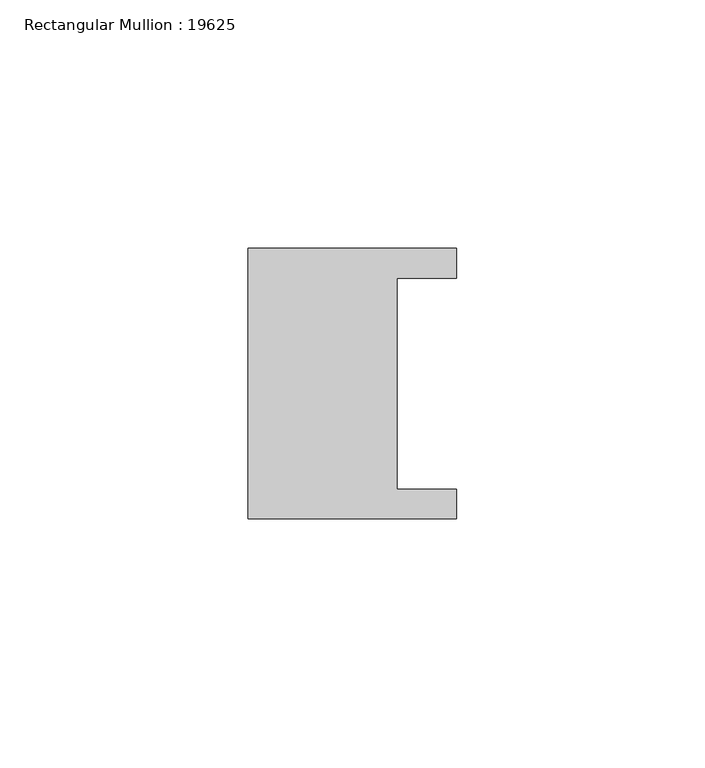
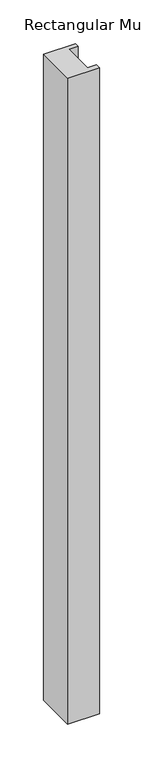
"""IFC4 building model written with IfcOpenShell, lengths in millimetres: member geometry, Rectangular Mullion : 19625."""

import ifcopenshell
import ifcopenshell.guid

model = None  # the IFC model being written
_history = None  # IfcOwnerHistory: only IFC2X3 demands one
_inside = {}  # id of a spatial element -> (the spatial element, [elements in it])
_under = {}  # id of a project, library or spatial element -> (it, [spatial elements below it])
_declared = {}  # id of a project -> (the project, [libraries it declares])
_typed = {}  # id of a type object -> (the type object, [elements of that type])
_made_of = {}  # id of a material, layer set ... -> (it, [elements and type objects made of it])


def new_model(schema):
    """Start an empty IFC model of exactly this schema.

    Asked for "IFC4X3", IfcOpenShell would pick the latest addendum, in which some entities
    have other attributes; the version numbers below select the first issue.
    IFC2X3 requires an IfcOwnerHistory on every rooted entity: one is made here for all.
    """
    global model, _history
    if schema == "IFC4X3":
        model = ifcopenshell.file(schema_version=(4, 3, 0, 0))
    else:
        model = ifcopenshell.file(schema=schema)
    _inside.clear()
    _under.clear()
    _declared.clear()
    _typed.clear()
    _made_of.clear()
    _history = None
    if model.schema == "IFC2X3":
        org = make("IfcOrganization", Name="unknown")
        user = make(
            "IfcPersonAndOrganization",
            ThePerson=make("IfcPerson", FamilyName="unknown"),
            TheOrganization=org,
        )
        app = make(
            "IfcApplication",
            ApplicationDeveloper=org,
            Version="unknown",
            ApplicationFullName="unknown",
            ApplicationIdentifier="unknown",
        )
        _history = make(
            "IfcOwnerHistory",
            OwningUser=user,
            OwningApplication=app,
            ChangeAction="ADDED",
            CreationDate=0,
        )
    return model


def make(cls, **values):
    """One entity of the class cls with the attributes given. An attribute that is None is left unset."""
    return model.create_entity(
        cls, **{name: value for name, value in values.items() if value is not None}
    )


def rooted(cls, **values):
    """An entity with a GlobalId (a new one), such as an element, a storey or a relation."""
    return make(cls, GlobalId=ifcopenshell.guid.new(), OwnerHistory=_history, **values)


def si_unit(unit_type, name, prefix=None):
    """IfcSIUnit, for example si_unit("LENGTHUNIT", "METRE", prefix="MILLI")."""
    return make("IfcSIUnit", UnitType=unit_type, Prefix=prefix, Name=name)


def assignment(units):
    """IfcUnitAssignment: the units of a project."""
    return None if units is None else make("IfcUnitAssignment", Units=units)


def point(xyz):
    """IfcCartesianPoint."""
    return None if xyz is None else make("IfcCartesianPoint", Coordinates=xyz)


def direction(xyz):
    """IfcDirection."""
    return None if xyz is None else make("IfcDirection", DirectionRatios=xyz)


def frame(location, z_axis=None, x_axis=None):
    """IfcAxis2Placement3D, a coordinate frame: its origin and axes. An axis left out is left unset."""
    return make(
        "IfcAxis2Placement3D",
        Location=point(location),
        Axis=direction(z_axis),
        RefDirection=direction(x_axis),
    )


def origin():
    """The frame at (0, 0, 0) with its axes left unset."""
    return frame((0.0, 0.0, 0.0))


def place(relative_to, where):
    """IfcLocalPlacement: puts the frame where relative to a parent placement (None: the world)."""
    return make(
        "IfcLocalPlacement", PlacementRelTo=relative_to, RelativePlacement=where
    )


def context(
    kind, dimensions, precision=None, world=None, true_north=None, identifier=None
):
    """IfcGeometricRepresentationContext, for example the 3D "Model" context."""
    return make(
        "IfcGeometricRepresentationContext",
        ContextIdentifier=identifier,
        ContextType=kind,
        CoordinateSpaceDimension=dimensions,
        Precision=precision,
        WorldCoordinateSystem=world,
        TrueNorth=true_north,
    )


def project(units=None, contexts=None):
    """IfcProject with its units and contexts."""
    return rooted(
        "IfcProject",
        Name="project",
        RepresentationContexts=contexts,
        UnitsInContext=assignment(units),
    )


def spatial(cls, under=None, at=None, **own):
    """A site, building, storey or space (cls), placed at a placement, below another one or the project."""
    s = rooted(cls, ObjectPlacement=at, **own)
    if under is not None:
        _under.setdefault(under.id(), (under, []))[1].append(s)
    return s


def polyline(points):
    """IfcPolyline through the points."""
    return make("IfcPolyline", Points=[point(p) for p in points])


def outline(outer, holes=None, kind="AREA"):
    """IfcArbitraryClosedProfileDef: a profile drawn as a closed curve; with holes, ...WithVoids."""
    if holes is None:
        return make("IfcArbitraryClosedProfileDef", ProfileType=kind, OuterCurve=outer)
    return make(
        "IfcArbitraryProfileDefWithVoids",
        ProfileType=kind,
        OuterCurve=outer,
        InnerCurves=holes,
    )


def extrude(swept, where, along, depth):
    """IfcExtrudedAreaSolid: the profile swept, set in the frame where, extruded along a direction by depth."""
    return make(
        "IfcExtrudedAreaSolid",
        SweptArea=swept,
        Position=where,
        ExtrudedDirection=direction(along),
        Depth=depth,
    )


def shape(context_of_items, identifier, shape_type, items):
    """IfcShapeRepresentation: the items that make up one representation, for example the "Body"."""
    return make(
        "IfcShapeRepresentation",
        ContextOfItems=context_of_items,
        RepresentationIdentifier=identifier,
        RepresentationType=shape_type,
        Items=items,
    )


def source(mapping_origin, context_of_items, identifier, shape_type, items):
    """IfcRepresentationMap: a shape defined once, which mapped items show again and again."""
    return make(
        "IfcRepresentationMap",
        MappingOrigin=mapping_origin,
        MappedRepresentation=shape(context_of_items, identifier, shape_type, items),
    )


def transform(
    local_origin,
    x_axis=None,
    y_axis=None,
    z_axis=None,
    scale=None,
    scale2=None,
    scale3=None,
    uniform=True,
):
    """IfcCartesianTransformationOperator3D, or its non-uniform kind. x_axis, y_axis, z_axis: its Axis1, 2, 3."""
    if uniform:
        return make(
            "IfcCartesianTransformationOperator3D",
            Axis1=direction(x_axis),
            Axis2=direction(y_axis),
            LocalOrigin=point(local_origin),
            Scale=scale,
            Axis3=direction(z_axis),
        )
    return make(
        "IfcCartesianTransformationOperator3DnonUniform",
        Axis1=direction(x_axis),
        Axis2=direction(y_axis),
        LocalOrigin=point(local_origin),
        Scale=scale,
        Axis3=direction(z_axis),
        Scale2=scale2,
        Scale3=scale3,
    )


def mapped(mapping_source, mapping_target):
    """IfcMappedItem: shows the shape of a source again, moved by a transform."""
    return make(
        "IfcMappedItem", MappingSource=mapping_source, MappingTarget=mapping_target
    )


def made_of(thing, what):
    """Note that an element or type object is made of a material, layer set ...; save() writes the relation."""
    if what is not None:
        _made_of.setdefault(what.id(), (what, []))[1].append(thing)
    return thing


def element(
    cls,
    number,
    at=None,
    inside=None,
    cuts=None,
    type_object=None,
    material=None,
    context=None,
    identifier="Body",
    shape_type=None,
    held_by="IfcProductDefinitionShape",
    body=None,
    shapes=None,
    **own,
):
    """One element of the class cls, such as IfcWall. Its Tag is "e" and its number.

    at: its placement. inside: the storey or other place that contains it. cuts: it is an
    opening in that element (IfcRelVoidsElement). A single representation is given by context,
    identifier, shape_type and body (its items); several are given by shapes. held_by: the class
    of the entity that holds the representations. save() writes the other relations.
    """
    e = rooted(cls, Tag="e%d" % number, ObjectPlacement=at, **own)
    if body is not None:
        shapes = [shape(context, identifier, shape_type, body)]
    if shapes is not None:
        e.Representation = make(held_by, Representations=shapes)
    if inside is not None:
        _inside.setdefault(inside.id(), (inside, []))[1].append(e)
    if cuts is not None:
        rooted(
            "IfcRelVoidsElement", RelatingBuildingElement=cuts, RelatedOpeningElement=e
        )
    if type_object is not None:
        _typed.setdefault(type_object.id(), (type_object, []))[1].append(e)
    return made_of(e, material)


def aggregate(whole, parts):
    """IfcRelAggregates: a whole, such as a stair, and the parts it consists of."""
    return rooted("IfcRelAggregates", RelatingObject=whole, RelatedObjects=parts)


def save(model, path):
    """Write the relations noted so far, then the file.

    IfcRelAggregates (storeys below a building ...), IfcRelContainedInSpatialStructure (elements
    in a storey), IfcRelDefinesByType, IfcRelAssociatesMaterial and IfcRelDeclares: one each for
    every whole, place, type object, material and project.
    """
    for whole, parts in _under.values():
        aggregate(whole, parts)
    for where, things in _inside.values():
        rooted(
            "IfcRelContainedInSpatialStructure",
            RelatedElements=things,
            RelatingStructure=where,
        )
    for kind, things in _typed.values():
        rooted("IfcRelDefinesByType", RelatedObjects=things, RelatingType=kind)
    for what, things in _made_of.values():
        rooted("IfcRelAssociatesMaterial", RelatedObjects=things, RelatingMaterial=what)
    for by, libraries in _declared.values():
        rooted("IfcRelDeclares", RelatingContext=by, RelatedDefinitions=libraries)
    model.write(path)


def rectangular_mullion_19625_f26aa3f9(model_context):
    return source(origin(), model_context, "Body", "SweptSolid", [
        extrude(outline(polyline([(-42.0, 27.25), (0.0, 27.25), (0.0, 21.25), (-12.0, 21.25), (-12.0, -21.25), (0.0, -21.25), (0.0, -27.25), (-42.0, -27.25), (-42.0, 27.25)])), frame((0.0, 0.0, -900.0), z_axis=(0.0, 0.0, 1.0), x_axis=(1.0, 0.0, 0.0)), (0.0, 0.0, 1.0), 900.0),
    ])


if __name__ == "__main__":
    model = new_model("IFC4")
    model_context = context("Model", 3, world=origin())
    ifc_project = project(units=[si_unit("LENGTHUNIT", "METRE", prefix="MILLI")], contexts=[model_context])
    site = spatial("IfcSite", under=ifc_project)
    building = spatial("IfcBuilding", under=site)
    placement = place(None, origin())
    rectangular_mullion_19625_shape = rectangular_mullion_19625_f26aa3f9(model_context)
    element("IfcMember", 1, ObjectType="Rectangular Mullion : 19625", at=placement, inside=building, context=model_context, shape_type="MappedRepresentation", body=[
        mapped(rectangular_mullion_19625_shape, transform((0.0, 0.0, 0.0), x_axis=(1.0, 0.0, 0.0), y_axis=(0.0, 1.0, 0.0), z_axis=(0.0, 0.0, 1.0))),
    ])
    save(model, "model.ifc")
